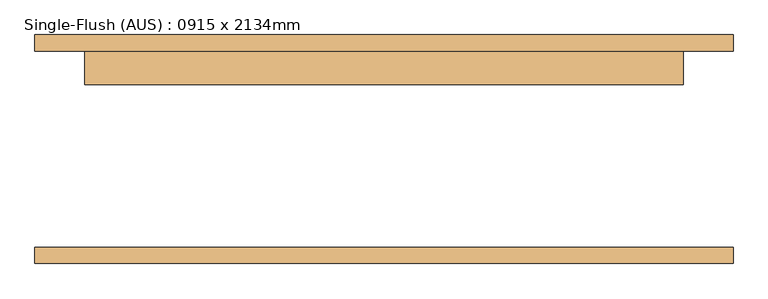
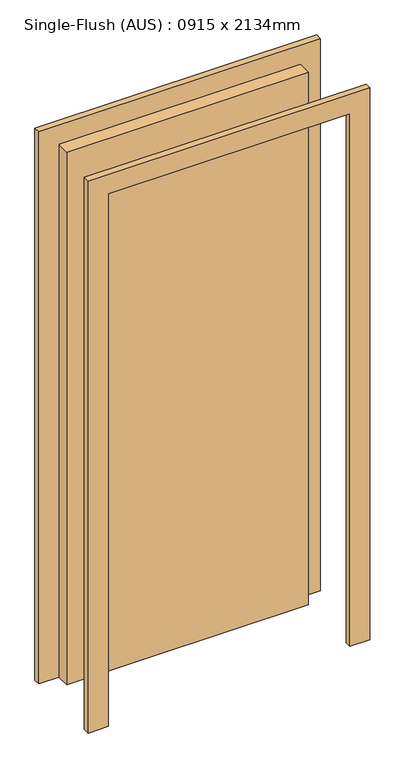
"""IFC4 building model written with IfcOpenShell, lengths in millimetres: door geometry, Single-Flush (AUS) : 0915 x 2134mm."""

from ifc_helpers import new_model, si_unit, frame, origin, origin_with_axes, place, context, project, spatial, polyline, outline, extrude, source, transform, mapped, element, save


def single_flush_aus_0915_x_2134mm_9cebaac8(model_context):
    return source(origin(), model_context, "Body", "SweptSolid", [
        extrude(outline(polyline([(2210.0, -533.5), (0.0, -533.5), (0.0, -457.5), (2134.0, -457.5), (2134.0, 457.5), (0.0, 457.5), (0.0, 533.5), (2210.0, 533.5), (2210.0, -533.5)])), frame((0.0, 150.0, 0.0), z_axis=(0.0, 1.0, 0.0), x_axis=(0.0, 0.0, 1.0)), (0.0, 0.0, 1.0), 25.0),
        extrude(outline(polyline([(2210.0, 533.5), (2210.0, -533.5), (0.0, -533.5), (0.0, -457.5), (2134.0, -457.5), (2134.0, 457.5), (0.0, 457.5), (0.0, 533.5), (2210.0, 533.5)])), frame((0.0, -175.0, 0.0), z_axis=(0.0, 1.0, 0.0), x_axis=(0.0, 0.0, 1.0)), (0.0, 0.0, 1.0), 25.0),
        extrude(outline(polyline([(457.5, 99.0), (-457.5, 99.0), (-457.5, 150.0), (457.5, 150.0), (457.5, 99.0)])), origin_with_axes(), (0.0, 0.0, 1.0), 2134.0),
    ])


if __name__ == "__main__":
    model = new_model("IFC4")
    model_context = context("Model", 3, world=origin())
    ifc_project = project(units=[si_unit("LENGTHUNIT", "METRE", prefix="MILLI")], contexts=[model_context])
    site = spatial("IfcSite", under=ifc_project)
    building = spatial("IfcBuilding", under=site)
    placement = place(None, origin())
    single_flush_aus_0915_x_2134mm_shape = single_flush_aus_0915_x_2134mm_9cebaac8(model_context)
    element("IfcDoor", 1, ObjectType="Single-Flush (AUS) : 0915 x 2134mm", at=placement, inside=building, context=model_context, shape_type="MappedRepresentation", body=[
        mapped(single_flush_aus_0915_x_2134mm_shape, transform((0.0, 0.0, 0.0), x_axis=(1.0, 0.0, 0.0), y_axis=(0.0, 1.0, 0.0), z_axis=(0.0, 0.0, 1.0))),
    ])
    save(model, "model.ifc")
